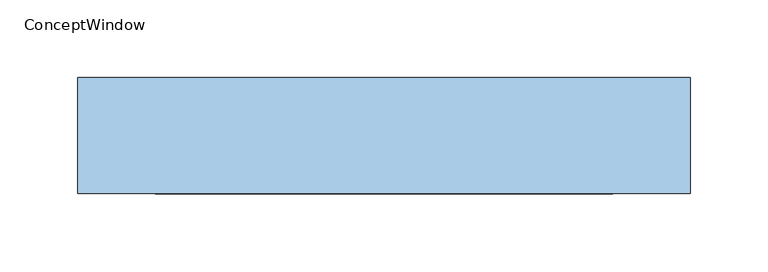
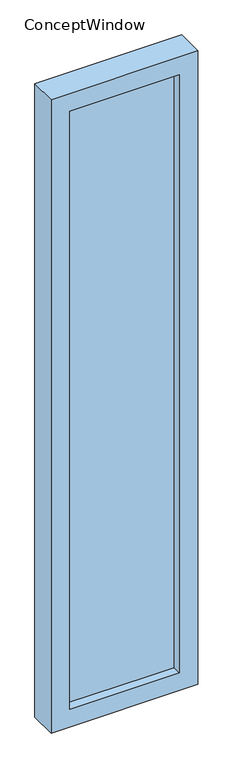
"""IFC4 building model written with IfcOpenShell, lengths in millimetres: window geometry, ConceptWindow."""

import ifcopenshell
import ifcopenshell.guid

model = None  # the IFC model being written
_history = None  # IfcOwnerHistory: only IFC2X3 demands one
_inside = {}  # id of a spatial element -> (the spatial element, [elements in it])
_under = {}  # id of a project, library or spatial element -> (it, [spatial elements below it])
_declared = {}  # id of a project -> (the project, [libraries it declares])
_typed = {}  # id of a type object -> (the type object, [elements of that type])
_made_of = {}  # id of a material, layer set ... -> (it, [elements and type objects made of it])


def new_model(schema):
    """Start an empty IFC model of exactly this schema.

    Asked for "IFC4X3", IfcOpenShell would pick the latest addendum, in which some entities
    have other attributes; the version numbers below select the first issue.
    IFC2X3 requires an IfcOwnerHistory on every rooted entity: one is made here for all.
    """
    global model, _history
    if schema == "IFC4X3":
        model = ifcopenshell.file(schema_version=(4, 3, 0, 0))
    else:
        model = ifcopenshell.file(schema=schema)
    _inside.clear()
    _under.clear()
    _declared.clear()
    _typed.clear()
    _made_of.clear()
    _history = None
    if model.schema == "IFC2X3":
        org = make("IfcOrganization", Name="unknown")
        user = make(
            "IfcPersonAndOrganization",
            ThePerson=make("IfcPerson", FamilyName="unknown"),
            TheOrganization=org,
        )
        app = make(
            "IfcApplication",
            ApplicationDeveloper=org,
            Version="unknown",
            ApplicationFullName="unknown",
            ApplicationIdentifier="unknown",
        )
        _history = make(
            "IfcOwnerHistory",
            OwningUser=user,
            OwningApplication=app,
            ChangeAction="ADDED",
            CreationDate=0,
        )
    return model


def make(cls, **values):
    """One entity of the class cls with the attributes given. An attribute that is None is left unset."""
    return model.create_entity(
        cls, **{name: value for name, value in values.items() if value is not None}
    )


def rooted(cls, **values):
    """An entity with a GlobalId (a new one), such as an element, a storey or a relation."""
    return make(cls, GlobalId=ifcopenshell.guid.new(), OwnerHistory=_history, **values)


def si_unit(unit_type, name, prefix=None):
    """IfcSIUnit, for example si_unit("LENGTHUNIT", "METRE", prefix="MILLI")."""
    return make("IfcSIUnit", UnitType=unit_type, Prefix=prefix, Name=name)


def assignment(units):
    """IfcUnitAssignment: the units of a project."""
    return None if units is None else make("IfcUnitAssignment", Units=units)


def point(xyz):
    """IfcCartesianPoint."""
    return None if xyz is None else make("IfcCartesianPoint", Coordinates=xyz)


def direction(xyz):
    """IfcDirection."""
    return None if xyz is None else make("IfcDirection", DirectionRatios=xyz)


def frame(location, z_axis=None, x_axis=None):
    """IfcAxis2Placement3D, a coordinate frame: its origin and axes. An axis left out is left unset."""
    return make(
        "IfcAxis2Placement3D",
        Location=point(location),
        Axis=direction(z_axis),
        RefDirection=direction(x_axis),
    )


def origin():
    """The frame at (0, 0, 0) with its axes left unset."""
    return frame((0.0, 0.0, 0.0))


def place(relative_to, where):
    """IfcLocalPlacement: puts the frame where relative to a parent placement (None: the world)."""
    return make(
        "IfcLocalPlacement", PlacementRelTo=relative_to, RelativePlacement=where
    )


def context(
    kind, dimensions, precision=None, world=None, true_north=None, identifier=None
):
    """IfcGeometricRepresentationContext, for example the 3D "Model" context."""
    return make(
        "IfcGeometricRepresentationContext",
        ContextIdentifier=identifier,
        ContextType=kind,
        CoordinateSpaceDimension=dimensions,
        Precision=precision,
        WorldCoordinateSystem=world,
        TrueNorth=true_north,
    )


def project(units=None, contexts=None):
    """IfcProject with its units and contexts."""
    return rooted(
        "IfcProject",
        Name="project",
        RepresentationContexts=contexts,
        UnitsInContext=assignment(units),
    )


def spatial(cls, under=None, at=None, **own):
    """A site, building, storey or space (cls), placed at a placement, below another one or the project."""
    s = rooted(cls, ObjectPlacement=at, **own)
    if under is not None:
        _under.setdefault(under.id(), (under, []))[1].append(s)
    return s


def polyline(points):
    """IfcPolyline through the points."""
    return make("IfcPolyline", Points=[point(p) for p in points])


def outline(outer, holes=None, kind="AREA"):
    """IfcArbitraryClosedProfileDef: a profile drawn as a closed curve; with holes, ...WithVoids."""
    if holes is None:
        return make("IfcArbitraryClosedProfileDef", ProfileType=kind, OuterCurve=outer)
    return make(
        "IfcArbitraryProfileDefWithVoids",
        ProfileType=kind,
        OuterCurve=outer,
        InnerCurves=holes,
    )


def extrude(swept, where, along, depth):
    """IfcExtrudedAreaSolid: the profile swept, set in the frame where, extruded along a direction by depth."""
    return make(
        "IfcExtrudedAreaSolid",
        SweptArea=swept,
        Position=where,
        ExtrudedDirection=direction(along),
        Depth=depth,
    )


def shape(context_of_items, identifier, shape_type, items):
    """IfcShapeRepresentation: the items that make up one representation, for example the "Body"."""
    return make(
        "IfcShapeRepresentation",
        ContextOfItems=context_of_items,
        RepresentationIdentifier=identifier,
        RepresentationType=shape_type,
        Items=items,
    )


def source(mapping_origin, context_of_items, identifier, shape_type, items):
    """IfcRepresentationMap: a shape defined once, which mapped items show again and again."""
    return make(
        "IfcRepresentationMap",
        MappingOrigin=mapping_origin,
        MappedRepresentation=shape(context_of_items, identifier, shape_type, items),
    )


def transform(
    local_origin,
    x_axis=None,
    y_axis=None,
    z_axis=None,
    scale=None,
    scale2=None,
    scale3=None,
    uniform=True,
):
    """IfcCartesianTransformationOperator3D, or its non-uniform kind. x_axis, y_axis, z_axis: its Axis1, 2, 3."""
    if uniform:
        return make(
            "IfcCartesianTransformationOperator3D",
            Axis1=direction(x_axis),
            Axis2=direction(y_axis),
            LocalOrigin=point(local_origin),
            Scale=scale,
            Axis3=direction(z_axis),
        )
    return make(
        "IfcCartesianTransformationOperator3DnonUniform",
        Axis1=direction(x_axis),
        Axis2=direction(y_axis),
        LocalOrigin=point(local_origin),
        Scale=scale,
        Axis3=direction(z_axis),
        Scale2=scale2,
        Scale3=scale3,
    )


def mapped(mapping_source, mapping_target):
    """IfcMappedItem: shows the shape of a source again, moved by a transform."""
    return make(
        "IfcMappedItem", MappingSource=mapping_source, MappingTarget=mapping_target
    )


def made_of(thing, what):
    """Note that an element or type object is made of a material, layer set ...; save() writes the relation."""
    if what is not None:
        _made_of.setdefault(what.id(), (what, []))[1].append(thing)
    return thing


def element(
    cls,
    number,
    at=None,
    inside=None,
    cuts=None,
    type_object=None,
    material=None,
    context=None,
    identifier="Body",
    shape_type=None,
    held_by="IfcProductDefinitionShape",
    body=None,
    shapes=None,
    **own,
):
    """One element of the class cls, such as IfcWall. Its Tag is "e" and its number.

    at: its placement. inside: the storey or other place that contains it. cuts: it is an
    opening in that element (IfcRelVoidsElement). A single representation is given by context,
    identifier, shape_type and body (its items); several are given by shapes. held_by: the class
    of the entity that holds the representations. save() writes the other relations.
    """
    e = rooted(cls, Tag="e%d" % number, ObjectPlacement=at, **own)
    if body is not None:
        shapes = [shape(context, identifier, shape_type, body)]
    if shapes is not None:
        e.Representation = make(held_by, Representations=shapes)
    if inside is not None:
        _inside.setdefault(inside.id(), (inside, []))[1].append(e)
    if cuts is not None:
        rooted(
            "IfcRelVoidsElement", RelatingBuildingElement=cuts, RelatedOpeningElement=e
        )
    if type_object is not None:
        _typed.setdefault(type_object.id(), (type_object, []))[1].append(e)
    return made_of(e, material)


def aggregate(whole, parts):
    """IfcRelAggregates: a whole, such as a stair, and the parts it consists of."""
    return rooted("IfcRelAggregates", RelatingObject=whole, RelatedObjects=parts)


def save(model, path):
    """Write the relations noted so far, then the file.

    IfcRelAggregates (storeys below a building ...), IfcRelContainedInSpatialStructure (elements
    in a storey), IfcRelDefinesByType, IfcRelAssociatesMaterial and IfcRelDeclares: one each for
    every whole, place, type object, material and project.
    """
    for whole, parts in _under.values():
        aggregate(whole, parts)
    for where, things in _inside.values():
        rooted(
            "IfcRelContainedInSpatialStructure",
            RelatedElements=things,
            RelatingStructure=where,
        )
    for kind, things in _typed.values():
        rooted("IfcRelDefinesByType", RelatedObjects=things, RelatingType=kind)
    for what, things in _made_of.values():
        rooted("IfcRelAssociatesMaterial", RelatedObjects=things, RelatingMaterial=what)
    for by, libraries in _declared.values():
        rooted("IfcRelDeclares", RelatingContext=by, RelatedDefinitions=libraries)
    model.write(path)


def conceptwindow_d9ad6169(model_context):
    return source(origin(), model_context, "Body", "SweptSolid", [
        extrude(outline(polyline([(147.5, 57.5), (-147.5, 57.5), (-147.5, 82.5), (147.5, 82.5), (147.5, 57.5)])), frame((0.0, 0.0, 850.0), z_axis=(0.0, 0.0, 1.0), x_axis=(1.0, 0.0, 0.0)), (0.0, 0.0, 1.0), 1700.0),
        extrude(outline(polyline([(2600.0, -197.5), (800.0, -197.5), (800.0, 197.5), (2600.0, 197.5), (2600.0, -197.5)]), holes=[polyline([(2550.0, -147.5), (2550.0, 147.5), (850.0, 147.5), (850.0, -147.5), (2550.0, -147.5)])]), frame((0.0, 32.5, 0.0), z_axis=(0.0, 1.0, 0.0), x_axis=(0.0, 0.0, 1.0)), (0.0, 0.0, 1.0), 75.0),
    ])


if __name__ == "__main__":
    model = new_model("IFC4")
    model_context = context("Model", 3, world=origin())
    ifc_project = project(units=[si_unit("LENGTHUNIT", "METRE", prefix="MILLI")], contexts=[model_context])
    site = spatial("IfcSite", under=ifc_project)
    building = spatial("IfcBuilding", under=site)
    placement = place(None, origin())
    conceptwindow_shape = conceptwindow_d9ad6169(model_context)
    element("IfcWindow", 1, ObjectType="ConceptWindow", at=placement, inside=building, context=model_context, shape_type="MappedRepresentation", body=[
        mapped(conceptwindow_shape, transform((0.0, 0.0, 0.0), x_axis=(1.0, 0.0, 0.0), y_axis=(0.0, 1.0, 0.0), z_axis=(0.0, 0.0, 1.0))),
    ])
    save(model, "model.ifc")
